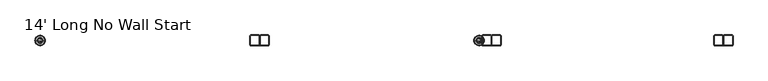
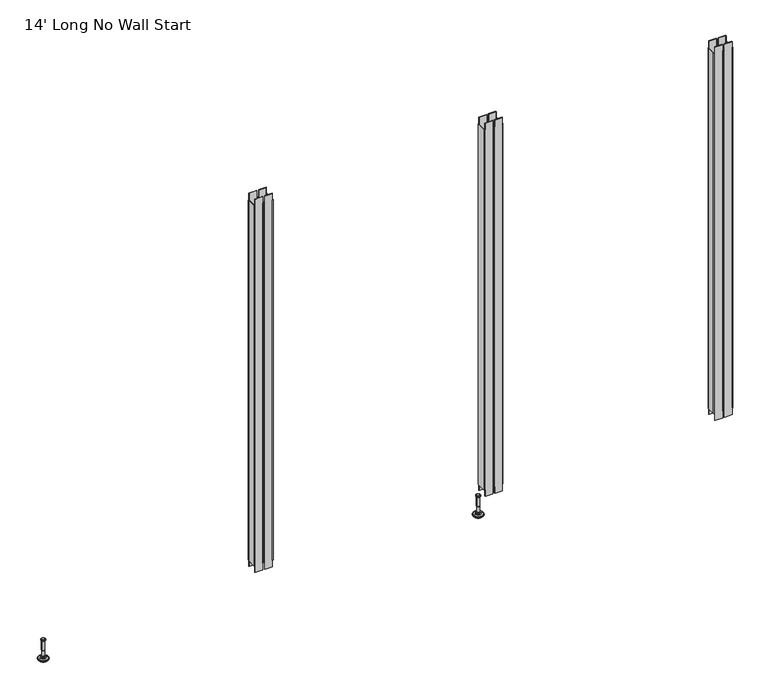
"""IFC4 building model written with IfcOpenShell, lengths in millimetres: furniture geometry, 14' Long No Wall Start."""

from ifc_helpers import new_model, si_unit, frame, origin, place, context, project, spatial, polyline, circle_curve, faceted_brep, source, transform, mapped, element, save
from ifc_brep_helpers import plane_surface, cylinder_surface, revolved_surface, advanced_brep


def furniture_14_long_no_wall_start_10b7e7c4(model_context):
    return source(origin(), model_context, "Body", "SolidModel", [
        advanced_brep(
        [(2076.2635677, 0.0, 101.6), (2085.2414891, 0.0, 101.6), (2067.2856463, 0.0, 101.6), (2062.1593278, 0.0, 0.0206943), (2090.3678076, 0.0, 0.0206943), (2076.2635677, 0.0, 0.0206943), (2057.281296, 0.0, 1.4194474), (2095.2458394, 0.0, 1.4194474), (2053.519381, 0.0, 4.7394056), (2099.0077544, 0.0, 4.7394056), (2052.4019314, 0.0, 7.5051905), (2100.125204, 0.0, 7.5051905), (2052.4019314, 0.0, 8.3065967), (2100.125204, 0.0, 8.3065967), (2053.2443346, 0.0, 9.8469348), (2099.2828008, 0.0, 9.8469348), (2054.3444772, 0.0, 10.8375077), (2098.1826582, 0.0, 10.8375077), (2061.6481724, 0.0, 12.7338946), (2090.878963, 0.0, 12.7338946), (2069.0663238, 0.0, 13.3828987), (2083.4608116, 0.0, 13.3828987), (2069.0663238, 0.0, 14.1772758), (2083.4608116, 0.0, 14.1772758), (2071.4631166, 0.0, 14.1772758), (2081.0640188, 0.0, 14.1772758), (2071.4631166, 0.0, 18.8098403), (2081.0640188, 0.0, 18.8098403), (2070.447264, 0.0, 19.8256929), (2082.0798714, 0.0, 19.8256929), (2070.447264, 0.0, 48.3056352), (2082.0798714, 0.0, 48.3056352), (2069.2237361, 0.0, 49.9293116), (2083.3033993, 0.0, 49.9293116), (2069.2237361, 0.0, 97.327223), (2083.3033993, 0.0, 97.327223), (2068.3426317, 0.0, 97.6479188), (2084.1845037, 0.0, 97.6479188), (2067.2936428, 0.0, 97.6479188), (2085.2334926, 0.0, 97.6479188), (2065.6286129, 0.0, 98.6092242), (2086.8985225, 0.0, 98.6092242), (2065.6286129, 0.0, 100.6043539), (2086.8985225, 0.0, 100.6043539)],
        [
            (0, 1),
            (1, 2, circle_curve(frame((2076.2635677, 0.0, 101.6), z_axis=(0.0, 0.0, 1.0), x_axis=(1.0, 0.0, 0.0)), 8.9779214)),
            (2, 0),
            (2, 1, circle_curve(frame((2076.2635677, 0.0, 101.6), z_axis=(0.0, 0.0, 1.0), x_axis=(1.0, 0.0, 0.0)), 8.9779214)),
            (3, 4, circle_curve(frame((2076.2635677, 0.0, 0.0206943), z_axis=(0.0, 0.0, -1.0), x_axis=(1.0, 0.0, 0.0)), 14.1042399)),
            (4, 5),
            (5, 3),
            (4, 3, circle_curve(frame((2076.2635677, 0.0, 0.0206943), z_axis=(0.0, 0.0, -1.0), x_axis=(1.0, 0.0, 0.0)), 14.1042399)),
            (6, 7, circle_curve(frame((2076.2635677, 0.0, 1.4194474), z_axis=(0.0, 0.0, -1.0), x_axis=(1.0, 0.0, 0.0)), 18.9822717)),
            (7, 4),
            (3, 6),
            (7, 6, circle_curve(frame((2076.2635677, 0.0, 1.4194474), z_axis=(0.0, 0.0, -1.0), x_axis=(1.0, 0.0, 0.0)), 18.9822717)),
            (8, 9, circle_curve(frame((2076.2635677, 0.0, 4.7394056), z_axis=(0.0, 0.0, -1.0), x_axis=(1.0, 0.0, 0.0)), 22.7441867)),
            (9, 7),
            (6, 8),
            (9, 8, circle_curve(frame((2076.2635677, 0.0, 4.7394056), z_axis=(0.0, 0.0, -1.0), x_axis=(1.0, 0.0, 0.0)), 22.7441867)),
            (10, 11, circle_curve(frame((2076.2635677, 0.0, 7.5051905), z_axis=(0.0, 0.0, -1.0), x_axis=(1.0, 0.0, 0.0)), 23.8616363)),
            (11, 9),
            (8, 10),
            (11, 10, circle_curve(frame((2076.2635677, 0.0, 7.5051905), z_axis=(0.0, 0.0, -1.0), x_axis=(1.0, 0.0, 0.0)), 23.8616363)),
            (12, 13, circle_curve(frame((2076.2635677, 0.0, 8.3065967), z_axis=(0.0, 0.0, -1.0), x_axis=(1.0, 0.0, 0.0)), 23.8616363)),
            (13, 11),
            (10, 12),
            (13, 12, circle_curve(frame((2076.2635677, 0.0, 8.3065967), z_axis=(0.0, 0.0, -1.0), x_axis=(1.0, 0.0, 0.0)), 23.8616363)),
            (14, 15, circle_curve(frame((2076.2635677, 0.0, 9.8469348), z_axis=(0.0, 0.0, -1.0), x_axis=(1.0, 0.0, 0.0)), 23.0192331)),
            (15, 13),
            (12, 14),
            (15, 14, circle_curve(frame((2076.2635677, 0.0, 9.8469348), z_axis=(0.0, 0.0, -1.0), x_axis=(1.0, 0.0, 0.0)), 23.0192331)),
            (16, 17, circle_curve(frame((2076.2635677, 0.0, 10.8375077), z_axis=(0.0, 0.0, -1.0), x_axis=(1.0, 0.0, 0.0)), 21.9190905)),
            (17, 15),
            (14, 16),
            (17, 16, circle_curve(frame((2076.2635677, 0.0, 10.8375077), z_axis=(0.0, 0.0, -1.0), x_axis=(1.0, 0.0, 0.0)), 21.9190905)),
            (18, 19, circle_curve(frame((2076.2635677, 0.0, 12.7338946), z_axis=(0.0, 0.0, -1.0), x_axis=(1.0, 0.0, 0.0)), 14.6153953)),
            (19, 17),
            (16, 18),
            (19, 18, circle_curve(frame((2076.2635677, 0.0, 12.7338946), z_axis=(0.0, 0.0, -1.0), x_axis=(1.0, 0.0, 0.0)), 14.6153953)),
            (20, 21, circle_curve(frame((2076.2635677, 0.0, 13.3828987), z_axis=(0.0, 0.0, -1.0), x_axis=(1.0, 0.0, 0.0)), 7.1972439)),
            (21, 19),
            (18, 20),
            (21, 20, circle_curve(frame((2076.2635677, 0.0, 13.3828987), z_axis=(0.0, 0.0, -1.0), x_axis=(1.0, 0.0, 0.0)), 7.1972439)),
            (22, 23, circle_curve(frame((2076.2635677, 0.0, 14.1772758), z_axis=(0.0, 0.0, -1.0), x_axis=(1.0, 0.0, 0.0)), 7.1972439)),
            (23, 21),
            (20, 22),
            (23, 22, circle_curve(frame((2076.2635677, 0.0, 14.1772758), z_axis=(0.0, 0.0, -1.0), x_axis=(1.0, 0.0, 0.0)), 7.1972439)),
            (24, 25, circle_curve(frame((2076.2635677, 0.0, 14.1772758), z_axis=(0.0, 0.0, -1.0), x_axis=(1.0, 0.0, 0.0)), 4.8004511)),
            (25, 23),
            (22, 24),
            (25, 24, circle_curve(frame((2076.2635677, 0.0, 14.1772758), z_axis=(0.0, 0.0, -1.0), x_axis=(1.0, 0.0, 0.0)), 4.8004511)),
            (26, 27, circle_curve(frame((2076.2635677, 0.0, 18.8098403), z_axis=(0.0, 0.0, -1.0), x_axis=(1.0, 0.0, 0.0)), 4.8004511)),
            (27, 25),
            (24, 26),
            (27, 26, circle_curve(frame((2076.2635677, 0.0, 18.8098403), z_axis=(0.0, 0.0, -1.0), x_axis=(1.0, 0.0, 0.0)), 4.8004511)),
            (28, 29, circle_curve(frame((2076.2635677, 0.0, 19.8256929), z_axis=(0.0, 0.0, -1.0), x_axis=(1.0, 0.0, 0.0)), 5.8163037)),
            (29, 27),
            (26, 28),
            (29, 28, circle_curve(frame((2076.2635677, 0.0, 19.8256929), z_axis=(0.0, 0.0, -1.0), x_axis=(1.0, 0.0, 0.0)), 5.8163037)),
            (30, 31, circle_curve(frame((2076.2635677, 0.0, 48.3056352), z_axis=(0.0, 0.0, -1.0), x_axis=(1.0, 0.0, 0.0)), 5.8163037)),
            (31, 29),
            (28, 30),
            (31, 30, circle_curve(frame((2076.2635677, 0.0, 48.3056352), z_axis=(0.0, 0.0, -1.0), x_axis=(1.0, 0.0, 0.0)), 5.8163037)),
            (32, 33, circle_curve(frame((2076.2635677, 0.0, 49.9293116), z_axis=(0.0, 0.0, -1.0), x_axis=(1.0, 0.0, 0.0)), 7.0398316)),
            (33, 31),
            (30, 32),
            (33, 32, circle_curve(frame((2076.2635677, 0.0, 49.9293116), z_axis=(0.0, 0.0, -1.0), x_axis=(1.0, 0.0, 0.0)), 7.0398316)),
            (34, 35, circle_curve(frame((2076.2635677, 0.0, 97.327223), z_axis=(0.0, 0.0, -1.0), x_axis=(1.0, 0.0, 0.0)), 7.0398316)),
            (35, 33),
            (32, 34),
            (35, 34, circle_curve(frame((2076.2635677, 0.0, 97.327223), z_axis=(0.0, 0.0, -1.0), x_axis=(1.0, 0.0, 0.0)), 7.0398316)),
            (36, 37, circle_curve(frame((2076.2635677, 0.0, 97.6479188), z_axis=(0.0, 0.0, -1.0), x_axis=(1.0, 0.0, 0.0)), 7.920936)),
            (37, 35),
            (34, 36),
            (37, 36, circle_curve(frame((2076.2635677, 0.0, 97.6479188), z_axis=(0.0, 0.0, -1.0), x_axis=(1.0, 0.0, 0.0)), 7.920936)),
            (38, 39, circle_curve(frame((2076.2635677, 0.0, 97.6479188), z_axis=(0.0, 0.0, -1.0), x_axis=(1.0, 0.0, 0.0)), 8.9699249)),
            (39, 37),
            (36, 38),
            (39, 38, circle_curve(frame((2076.2635677, 0.0, 97.6479188), z_axis=(0.0, 0.0, -1.0), x_axis=(1.0, 0.0, 0.0)), 8.9699249)),
            (40, 41, circle_curve(frame((2076.2635677, 0.0, 98.6092242), z_axis=(0.0, 0.0, -1.0), x_axis=(1.0, 0.0, 0.0)), 10.6349548)),
            (41, 39),
            (38, 40),
            (41, 40, circle_curve(frame((2076.2635677, 0.0, 98.6092242), z_axis=(0.0, 0.0, -1.0), x_axis=(1.0, 0.0, 0.0)), 10.6349548)),
            (42, 43, circle_curve(frame((2076.2635677, 0.0, 100.6043539), z_axis=(0.0, 0.0, -1.0), x_axis=(1.0, 0.0, 0.0)), 10.6349548)),
            (43, 41),
            (40, 42),
            (43, 42, circle_curve(frame((2076.2635677, 0.0, 100.6043539), z_axis=(0.0, 0.0, -1.0), x_axis=(1.0, 0.0, 0.0)), 10.6349548)),
            (1, 43),
            (42, 2),
        ],
        [
            plane_surface(frame((2076.2635677, 0.0, 101.6), z_axis=(0.0, 0.0, 1.0), x_axis=(1.0, 0.0, 0.0))),
            plane_surface(frame((2076.2635677, 0.0, 0.0206943), z_axis=(0.0, 0.0, -1.0), x_axis=(1.0, 0.0, 0.0))),
            revolved_surface(polyline([(2090.3678076, 0.0, 0.0206943), (2095.2458394, 0.0, 1.4194474)]), (2076.2635677, 0.0, 101.6), (0.0, 0.0, 1.0)),
            revolved_surface(polyline([(2095.2458394, 0.0, 1.4194474), (2099.0077544, 0.0, 4.7394056)]), (2076.2635677, 0.0, 101.6), (0.0, 0.0, 1.0)),
            revolved_surface(polyline([(2099.0077544, 0.0, 4.7394056), (2100.125204, 0.0, 7.5051905)]), (2076.2635677, 0.0, 101.6), (0.0, 0.0, 1.0)),
            cylinder_surface(frame((2076.2635677, 0.0, 101.6), z_axis=(0.0, 0.0, 1.0), x_axis=(1.0, 0.0, 0.0)), 23.8616363),
            revolved_surface(polyline([(2100.125204, 0.0, 8.3065967), (2099.2828008, 0.0, 9.8469348)]), (2076.2635677, 0.0, 101.6), (0.0, 0.0, 1.0)),
            revolved_surface(polyline([(2099.2828008, 0.0, 9.8469348), (2098.1826582, 0.0, 10.8375077)]), (2076.2635677, 0.0, 101.6), (0.0, 0.0, 1.0)),
            revolved_surface(polyline([(2098.1826582, 0.0, 10.8375077), (2090.878963, 0.0, 12.7338946)]), (2076.2635677, 0.0, 101.6), (0.0, 0.0, 1.0)),
            revolved_surface(polyline([(2090.878963, 0.0, 12.7338946), (2083.4608116, 0.0, 13.3828987)]), (2076.2635677, 0.0, 101.6), (0.0, 0.0, 1.0)),
            cylinder_surface(frame((2076.2635677, 0.0, 101.6), z_axis=(0.0, 0.0, 1.0), x_axis=(1.0, 0.0, 0.0)), 7.1972439),
            plane_surface(frame((2076.2635677, 0.0, 14.1772758), z_axis=(0.0, 0.0, 1.0), x_axis=(1.0, 0.0, 0.0))),
            cylinder_surface(frame((2076.2635677, 0.0, 101.6), z_axis=(0.0, 0.0, 1.0), x_axis=(1.0, 0.0, 0.0)), 4.8004511),
            revolved_surface(polyline([(2081.0640188, 0.0, 18.8098403), (2082.0798714, 0.0, 19.8256929)]), (2076.2635677, 0.0, 101.6), (0.0, 0.0, 1.0)),
            cylinder_surface(frame((2076.2635677, 0.0, 101.6), z_axis=(0.0, 0.0, 1.0), x_axis=(1.0, 0.0, 0.0)), 5.8163037),
            revolved_surface(polyline([(2082.0798714, 0.0, 48.3056352), (2083.3033993, 0.0, 49.9293116)]), (2076.2635677, 0.0, 101.6), (0.0, 0.0, 1.0)),
            cylinder_surface(frame((2076.2635677, 0.0, 101.6), z_axis=(0.0, 0.0, 1.0), x_axis=(1.0, 0.0, 0.0)), 7.0398316),
            revolved_surface(polyline([(2083.3033993, 0.0, 97.327223), (2084.1845037, 0.0, 97.6479188)]), (2076.2635677, 0.0, 101.6), (0.0, 0.0, 1.0)),
            plane_surface(frame((2076.2635677, 0.0, 97.6479188), z_axis=(0.0, 0.0, -1.0), x_axis=(1.0, 0.0, 0.0))),
            revolved_surface(polyline([(2085.2334926, 0.0, 97.6479188), (2086.8985225, 0.0, 98.6092242)]), (2076.2635677, 0.0, 101.6), (0.0, 0.0, 1.0)),
            cylinder_surface(frame((2076.2635677, 0.0, 101.6), z_axis=(0.0, 0.0, 1.0), x_axis=(1.0, 0.0, 0.0)), 10.6349548),
            revolved_surface(polyline([(2086.8985225, 0.0, 100.6043539), (2085.2414891, 0.0, 101.6)]), (2076.2635677, 0.0, 101.6), (0.0, 0.0, 1.0)),
        ],
        [
            (0, [[1, 2, 3]]),
            (0, [[-3, 4, -1]]),
            (1, [[5, 6, 7]]),
            (1, [[8, -7, -6]]),
            (2, [[9, 10, -5, 11]]),
            (2, [[12, -11, -8, -10]]),
            (3, [[13, 14, -9, 15]]),
            (3, [[16, -15, -12, -14]]),
            (4, [[17, 18, -13, 19]]),
            (4, [[20, -19, -16, -18]]),
            (5, [[21, 22, -17, 23]]),
            (5, [[24, -23, -20, -22]]),
            (6, [[25, 26, -21, 27]]),
            (6, [[28, -27, -24, -26]]),
            (7, [[29, 30, -25, 31]]),
            (7, [[32, -31, -28, -30]]),
            (8, [[33, 34, -29, 35]]),
            (8, [[36, -35, -32, -34]]),
            (9, [[37, 38, -33, 39]]),
            (9, [[40, -39, -36, -38]]),
            (10, [[41, 42, -37, 43]]),
            (10, [[44, -43, -40, -42]]),
            (11, [[45, 46, -41, 47]]),
            (11, [[48, -47, -44, -46]]),
            (12, [[49, 50, -45, 51]]),
            (12, [[52, -51, -48, -50]]),
            (13, [[53, 54, -49, 55]]),
            (13, [[56, -55, -52, -54]]),
            (14, [[57, 58, -53, 59]]),
            (14, [[60, -59, -56, -58]]),
            (15, [[61, 62, -57, 63]]),
            (15, [[64, -63, -60, -62]]),
            (16, [[65, 66, -61, 67]]),
            (16, [[68, -67, -64, -66]]),
            (17, [[69, 70, -65, 71]]),
            (17, [[72, -71, -68, -70]]),
            (18, [[73, 74, -69, 75]]),
            (18, [[76, -75, -72, -74]]),
            (19, [[77, 78, -73, 79]]),
            (19, [[80, -79, -76, -78]]),
            (20, [[81, 82, -77, 83]]),
            (20, [[84, -83, -80, -82]]),
            (21, [[-2, 85, -81, 86]]),
            (21, [[-4, -86, -84, -85]]),
        ],
    ),
        advanced_brep(
        [(57.0627865, 0.0, 101.6), (66.0407079, 0.0, 101.6), (48.084865, 0.0, 101.6), (42.9585465, 0.0, 0.0206943), (71.1670264, 0.0, 0.0206943), (57.0627865, 0.0, 0.0206943), (38.0805148, 0.0, 1.4194474), (76.0450581, 0.0, 1.4194474), (34.3185997, 0.0, 4.7394056), (79.8069732, 0.0, 4.7394056), (33.2011501, 0.0, 7.5051905), (80.9244228, 0.0, 7.5051905), (33.2011501, 0.0, 8.3065967), (80.9244228, 0.0, 8.3065967), (34.0435533, 0.0, 9.8469348), (80.0820196, 0.0, 9.8469348), (35.143696, 0.0, 10.8375077), (78.9818769, 0.0, 10.8375077), (42.4473912, 0.0, 12.7338946), (71.6781817, 0.0, 12.7338946), (49.8655426, 0.0, 13.3828987), (64.2600304, 0.0, 13.3828987), (49.8655426, 0.0, 14.1772758), (64.2600304, 0.0, 14.1772758), (52.2623354, 0.0, 14.1772758), (61.8632375, 0.0, 14.1772758), (52.2623354, 0.0, 18.8098403), (61.8632375, 0.0, 18.8098403), (51.2464827, 0.0, 19.8256929), (62.8790902, 0.0, 19.8256929), (51.2464827, 0.0, 48.3056352), (62.8790902, 0.0, 48.3056352), (50.0229548, 0.0, 49.9293116), (64.1026181, 0.0, 49.9293116), (50.0229548, 0.0, 97.327223), (64.1026181, 0.0, 97.327223), (49.1418505, 0.0, 97.6479188), (64.9837224, 0.0, 97.6479188), (48.0928615, 0.0, 97.6479188), (66.0327114, 0.0, 97.6479188), (46.4278316, 0.0, 98.6092242), (67.6977413, 0.0, 98.6092242), (46.4278316, 0.0, 100.6043539), (67.6977413, 0.0, 100.6043539)],
        [
            (0, 1),
            (1, 2, circle_curve(frame((57.0627865, 0.0, 101.6), z_axis=(0.0, 0.0, 1.0), x_axis=(1.0, 0.0, 0.0)), 8.9779214)),
            (2, 0),
            (2, 1, circle_curve(frame((57.0627865, 0.0, 101.6), z_axis=(0.0, 0.0, 1.0), x_axis=(1.0, 0.0, 0.0)), 8.9779214)),
            (3, 4, circle_curve(frame((57.0627865, 0.0, 0.0206943), z_axis=(0.0, 0.0, -1.0), x_axis=(1.0, 0.0, 0.0)), 14.1042399)),
            (4, 5),
            (5, 3),
            (4, 3, circle_curve(frame((57.0627865, 0.0, 0.0206943), z_axis=(0.0, 0.0, -1.0), x_axis=(1.0, 0.0, 0.0)), 14.1042399)),
            (6, 7, circle_curve(frame((57.0627865, 0.0, 1.4194474), z_axis=(0.0, 0.0, -1.0), x_axis=(1.0, 0.0, 0.0)), 18.9822717)),
            (7, 4),
            (3, 6),
            (7, 6, circle_curve(frame((57.0627865, 0.0, 1.4194474), z_axis=(0.0, 0.0, -1.0), x_axis=(1.0, 0.0, 0.0)), 18.9822717)),
            (8, 9, circle_curve(frame((57.0627865, 0.0, 4.7394056), z_axis=(0.0, 0.0, -1.0), x_axis=(1.0, 0.0, 0.0)), 22.7441867)),
            (9, 7),
            (6, 8),
            (9, 8, circle_curve(frame((57.0627865, 0.0, 4.7394056), z_axis=(0.0, 0.0, -1.0), x_axis=(1.0, 0.0, 0.0)), 22.7441867)),
            (10, 11, circle_curve(frame((57.0627865, 0.0, 7.5051905), z_axis=(0.0, 0.0, -1.0), x_axis=(1.0, 0.0, 0.0)), 23.8616363)),
            (11, 9),
            (8, 10),
            (11, 10, circle_curve(frame((57.0627865, 0.0, 7.5051905), z_axis=(0.0, 0.0, -1.0), x_axis=(1.0, 0.0, 0.0)), 23.8616363)),
            (12, 13, circle_curve(frame((57.0627865, 0.0, 8.3065967), z_axis=(0.0, 0.0, -1.0), x_axis=(1.0, 0.0, 0.0)), 23.8616363)),
            (13, 11),
            (10, 12),
            (13, 12, circle_curve(frame((57.0627865, 0.0, 8.3065967), z_axis=(0.0, 0.0, -1.0), x_axis=(1.0, 0.0, 0.0)), 23.8616363)),
            (14, 15, circle_curve(frame((57.0627865, 0.0, 9.8469348), z_axis=(0.0, 0.0, -1.0), x_axis=(1.0, 0.0, 0.0)), 23.0192331)),
            (15, 13),
            (12, 14),
            (15, 14, circle_curve(frame((57.0627865, 0.0, 9.8469348), z_axis=(0.0, 0.0, -1.0), x_axis=(1.0, 0.0, 0.0)), 23.0192331)),
            (16, 17, circle_curve(frame((57.0627865, 0.0, 10.8375077), z_axis=(0.0, 0.0, -1.0), x_axis=(1.0, 0.0, 0.0)), 21.9190905)),
            (17, 15),
            (14, 16),
            (17, 16, circle_curve(frame((57.0627865, 0.0, 10.8375077), z_axis=(0.0, 0.0, -1.0), x_axis=(1.0, 0.0, 0.0)), 21.9190905)),
            (18, 19, circle_curve(frame((57.0627865, 0.0, 12.7338946), z_axis=(0.0, 0.0, -1.0), x_axis=(1.0, 0.0, 0.0)), 14.6153953)),
            (19, 17),
            (16, 18),
            (19, 18, circle_curve(frame((57.0627865, 0.0, 12.7338946), z_axis=(0.0, 0.0, -1.0), x_axis=(1.0, 0.0, 0.0)), 14.6153953)),
            (20, 21, circle_curve(frame((57.0627865, 0.0, 13.3828987), z_axis=(0.0, 0.0, -1.0), x_axis=(1.0, 0.0, 0.0)), 7.1972439)),
            (21, 19),
            (18, 20),
            (21, 20, circle_curve(frame((57.0627865, 0.0, 13.3828987), z_axis=(0.0, 0.0, -1.0), x_axis=(1.0, 0.0, 0.0)), 7.1972439)),
            (22, 23, circle_curve(frame((57.0627865, 0.0, 14.1772758), z_axis=(0.0, 0.0, -1.0), x_axis=(1.0, 0.0, 0.0)), 7.1972439)),
            (23, 21),
            (20, 22),
            (23, 22, circle_curve(frame((57.0627865, 0.0, 14.1772758), z_axis=(0.0, 0.0, -1.0), x_axis=(1.0, 0.0, 0.0)), 7.1972439)),
            (24, 25, circle_curve(frame((57.0627865, 0.0, 14.1772758), z_axis=(0.0, 0.0, -1.0), x_axis=(1.0, 0.0, 0.0)), 4.8004511)),
            (25, 23),
            (22, 24),
            (25, 24, circle_curve(frame((57.0627865, 0.0, 14.1772758), z_axis=(0.0, 0.0, -1.0), x_axis=(1.0, 0.0, 0.0)), 4.8004511)),
            (26, 27, circle_curve(frame((57.0627865, 0.0, 18.8098403), z_axis=(0.0, 0.0, -1.0), x_axis=(1.0, 0.0, 0.0)), 4.8004511)),
            (27, 25),
            (24, 26),
            (27, 26, circle_curve(frame((57.0627865, 0.0, 18.8098403), z_axis=(0.0, 0.0, -1.0), x_axis=(1.0, 0.0, 0.0)), 4.8004511)),
            (28, 29, circle_curve(frame((57.0627865, 0.0, 19.8256929), z_axis=(0.0, 0.0, -1.0), x_axis=(1.0, 0.0, 0.0)), 5.8163037)),
            (29, 27),
            (26, 28),
            (29, 28, circle_curve(frame((57.0627865, 0.0, 19.8256929), z_axis=(0.0, 0.0, -1.0), x_axis=(1.0, 0.0, 0.0)), 5.8163037)),
            (30, 31, circle_curve(frame((57.0627865, 0.0, 48.3056352), z_axis=(0.0, 0.0, -1.0), x_axis=(1.0, 0.0, 0.0)), 5.8163037)),
            (31, 29),
            (28, 30),
            (31, 30, circle_curve(frame((57.0627865, 0.0, 48.3056352), z_axis=(0.0, 0.0, -1.0), x_axis=(1.0, 0.0, 0.0)), 5.8163037)),
            (32, 33, circle_curve(frame((57.0627865, 0.0, 49.9293116), z_axis=(0.0, 0.0, -1.0), x_axis=(1.0, 0.0, 0.0)), 7.0398316)),
            (33, 31),
            (30, 32),
            (33, 32, circle_curve(frame((57.0627865, 0.0, 49.9293116), z_axis=(0.0, 0.0, -1.0), x_axis=(1.0, 0.0, 0.0)), 7.0398316)),
            (34, 35, circle_curve(frame((57.0627865, 0.0, 97.327223), z_axis=(0.0, 0.0, -1.0), x_axis=(1.0, 0.0, 0.0)), 7.0398316)),
            (35, 33),
            (32, 34),
            (35, 34, circle_curve(frame((57.0627865, 0.0, 97.327223), z_axis=(0.0, 0.0, -1.0), x_axis=(1.0, 0.0, 0.0)), 7.0398316)),
            (36, 37, circle_curve(frame((57.0627865, 0.0, 97.6479188), z_axis=(0.0, 0.0, -1.0), x_axis=(1.0, 0.0, 0.0)), 7.920936)),
            (37, 35),
            (34, 36),
            (37, 36, circle_curve(frame((57.0627865, 0.0, 97.6479188), z_axis=(0.0, 0.0, -1.0), x_axis=(1.0, 0.0, 0.0)), 7.920936)),
            (38, 39, circle_curve(frame((57.0627865, 0.0, 97.6479188), z_axis=(0.0, 0.0, -1.0), x_axis=(1.0, 0.0, 0.0)), 8.9699249)),
            (39, 37),
            (36, 38),
            (39, 38, circle_curve(frame((57.0627865, 0.0, 97.6479188), z_axis=(0.0, 0.0, -1.0), x_axis=(1.0, 0.0, 0.0)), 8.9699249)),
            (40, 41, circle_curve(frame((57.0627865, 0.0, 98.6092242), z_axis=(0.0, 0.0, -1.0), x_axis=(1.0, 0.0, 0.0)), 10.6349548)),
            (41, 39),
            (38, 40),
            (41, 40, circle_curve(frame((57.0627865, 0.0, 98.6092242), z_axis=(0.0, 0.0, -1.0), x_axis=(1.0, 0.0, 0.0)), 10.6349548)),
            (42, 43, circle_curve(frame((57.0627865, 0.0, 100.6043539), z_axis=(0.0, 0.0, -1.0), x_axis=(1.0, 0.0, 0.0)), 10.6349548)),
            (43, 41),
            (40, 42),
            (43, 42, circle_curve(frame((57.0627865, 0.0, 100.6043539), z_axis=(0.0, 0.0, -1.0), x_axis=(1.0, 0.0, 0.0)), 10.6349548)),
            (1, 43),
            (42, 2),
        ],
        [
            plane_surface(frame((57.0627865, 0.0, 101.6), z_axis=(0.0, 0.0, 1.0), x_axis=(1.0, 0.0, 0.0))),
            plane_surface(frame((57.0627865, 0.0, 0.0206943), z_axis=(0.0, 0.0, -1.0), x_axis=(1.0, 0.0, 0.0))),
            revolved_surface(polyline([(71.1670264, 0.0, 0.0206943), (76.0450581, 0.0, 1.4194474)]), (57.0627865, 0.0, 101.6), (0.0, 0.0, 1.0)),
            revolved_surface(polyline([(76.0450581, 0.0, 1.4194474), (79.8069732, 0.0, 4.7394056)]), (57.0627865, 0.0, 101.6), (0.0, 0.0, 1.0)),
            revolved_surface(polyline([(79.8069732, 0.0, 4.7394056), (80.9244228, 0.0, 7.5051905)]), (57.0627865, 0.0, 101.6), (0.0, 0.0, 1.0)),
            cylinder_surface(frame((57.0627865, 0.0, 101.6), z_axis=(0.0, 0.0, 1.0), x_axis=(1.0, 0.0, 0.0)), 23.8616363),
            revolved_surface(polyline([(80.9244228, 0.0, 8.3065967), (80.0820196, 0.0, 9.8469348)]), (57.0627865, 0.0, 101.6), (0.0, 0.0, 1.0)),
            revolved_surface(polyline([(80.0820196, 0.0, 9.8469348), (78.9818769, 0.0, 10.8375077)]), (57.0627865, 0.0, 101.6), (0.0, 0.0, 1.0)),
            revolved_surface(polyline([(78.9818769, 0.0, 10.8375077), (71.6781817, 0.0, 12.7338946)]), (57.0627865, 0.0, 101.6), (0.0, 0.0, 1.0)),
            revolved_surface(polyline([(71.6781817, 0.0, 12.7338946), (64.2600304, 0.0, 13.3828987)]), (57.0627865, 0.0, 101.6), (0.0, 0.0, 1.0)),
            cylinder_surface(frame((57.0627865, 0.0, 101.6), z_axis=(0.0, 0.0, 1.0), x_axis=(1.0, 0.0, 0.0)), 7.1972439),
            plane_surface(frame((57.0627865, 0.0, 14.1772758), z_axis=(0.0, 0.0, 1.0), x_axis=(1.0, 0.0, 0.0))),
            cylinder_surface(frame((57.0627865, 0.0, 101.6), z_axis=(0.0, 0.0, 1.0), x_axis=(1.0, 0.0, 0.0)), 4.8004511),
            revolved_surface(polyline([(61.8632375, 0.0, 18.8098403), (62.8790902, 0.0, 19.8256929)]), (57.0627865, 0.0, 101.6), (0.0, 0.0, 1.0)),
            cylinder_surface(frame((57.0627865, 0.0, 101.6), z_axis=(0.0, 0.0, 1.0), x_axis=(1.0, 0.0, 0.0)), 5.8163037),
            revolved_surface(polyline([(62.8790902, 0.0, 48.3056352), (64.1026181, 0.0, 49.9293116)]), (57.0627865, 0.0, 101.6), (0.0, 0.0, 1.0)),
            cylinder_surface(frame((57.0627865, 0.0, 101.6), z_axis=(0.0, 0.0, 1.0), x_axis=(1.0, 0.0, 0.0)), 7.0398316),
            revolved_surface(polyline([(64.1026181, 0.0, 97.327223), (64.9837224, 0.0, 97.6479188)]), (57.0627865, 0.0, 101.6), (0.0, 0.0, 1.0)),
            plane_surface(frame((57.0627865, 0.0, 97.6479188), z_axis=(0.0, 0.0, -1.0), x_axis=(1.0, 0.0, 0.0))),
            revolved_surface(polyline([(66.0327114, 0.0, 97.6479188), (67.6977413, 0.0, 98.6092242)]), (57.0627865, 0.0, 101.6), (0.0, 0.0, 1.0)),
            cylinder_surface(frame((57.0627865, 0.0, 101.6), z_axis=(0.0, 0.0, 1.0), x_axis=(1.0, 0.0, 0.0)), 10.6349548),
            revolved_surface(polyline([(67.6977413, 0.0, 100.6043539), (66.0407079, 0.0, 101.6)]), (57.0627865, 0.0, 101.6), (0.0, 0.0, 1.0)),
        ],
        [
            (0, [[1, 2, 3]]),
            (0, [[-3, 4, -1]]),
            (1, [[5, 6, 7]]),
            (1, [[8, -7, -6]]),
            (2, [[9, 10, -5, 11]]),
            (2, [[12, -11, -8, -10]]),
            (3, [[13, 14, -9, 15]]),
            (3, [[16, -15, -12, -14]]),
            (4, [[17, 18, -13, 19]]),
            (4, [[20, -19, -16, -18]]),
            (5, [[21, 22, -17, 23]]),
            (5, [[24, -23, -20, -22]]),
            (6, [[25, 26, -21, 27]]),
            (6, [[28, -27, -24, -26]]),
            (7, [[29, 30, -25, 31]]),
            (7, [[32, -31, -28, -30]]),
            (8, [[33, 34, -29, 35]]),
            (8, [[36, -35, -32, -34]]),
            (9, [[37, 38, -33, 39]]),
            (9, [[40, -39, -36, -38]]),
            (10, [[41, 42, -37, 43]]),
            (10, [[44, -43, -40, -42]]),
            (11, [[45, 46, -41, 47]]),
            (11, [[48, -47, -44, -46]]),
            (12, [[49, 50, -45, 51]]),
            (12, [[52, -51, -48, -50]]),
            (13, [[53, 54, -49, 55]]),
            (13, [[56, -55, -52, -54]]),
            (14, [[57, 58, -53, 59]]),
            (14, [[60, -59, -56, -58]]),
            (15, [[61, 62, -57, 63]]),
            (15, [[64, -63, -60, -62]]),
            (16, [[65, 66, -61, 67]]),
            (16, [[68, -67, -64, -66]]),
            (17, [[69, 70, -65, 71]]),
            (17, [[72, -71, -68, -70]]),
            (18, [[73, 74, -69, 75]]),
            (18, [[76, -75, -72, -74]]),
            (19, [[77, 78, -73, 79]]),
            (19, [[80, -79, -76, -78]]),
            (20, [[81, 82, -77, 83]]),
            (20, [[84, -83, -80, -82]]),
            (21, [[-2, 85, -81, 86]]),
            (21, [[-4, -86, -84, -85]]),
        ],
    ),
        faceted_brep([(1071.2958, 25.4, 1937.6408515), (1071.2958, 23.1181008, 1937.6408515), (1071.7151471, 23.2918, 1937.6408515), (1106.3348529, 23.2918, 1937.6408515), (1106.7542, 23.1181008, 1937.6408515), (1106.7542, 25.4, 1937.6408515), (1106.7542, -25.4, 1937.6408515), (1106.7542, -23.1181008, 1937.6408515), (1106.3348529, -23.2918, 1937.6408515), (1071.7151471, -23.2918, 1937.6408515), (1071.2958, -23.1181008, 1937.6408515), (1071.2958, -25.4, 1937.6408515), (1071.2958, -25.4, 104.7768515), (1071.2958, -23.1181008, 104.7768515), (1071.7151471, -23.2918, 104.7768515), (1106.3348529, -23.2918, 104.7768515), (1106.7542, -23.1181008, 104.7768515), (1106.7542, -25.4, 104.7768515), (1106.7542, 25.4, 104.7768515), (1106.7542, 23.1181008, 104.7768515), (1106.3348529, 23.2918, 104.7768515), (1071.7151471, 23.2918, 104.7768515), (1071.2958, 23.1181008, 104.7768515), (1071.2958, 25.4, 104.7768515), (1111.25, -20.9042, 1905.6368515), (1111.25, -20.9042, 136.7808515), (1111.25, 20.9042, 136.7808515), (1111.25, 20.9042, 1905.6368515), (1071.2958, -25.4, 1905.6368515), (1071.2958, -25.4, 136.7808515), (1106.7542, -25.4, 136.7808515), (1106.7542, -25.4, 1905.6368515), (1066.8, -20.9042, 136.7808515), (1066.8, -20.9042, 1905.6368515), (1066.8, 20.9042, 1905.6368515), (1066.8, 20.9042, 136.7808515), (1106.7542, 25.4, 1905.6368515), (1106.7542, 25.4, 136.7808515), (1071.2958, 25.4, 136.7808515), (1071.2958, 25.4, 1905.6368515), (1109.9332107, 24.0832107, 1905.6368515), (1109.9332107, 24.0832107, 136.7808515), (1109.9332107, -24.0832107, 1905.6368515), (1109.9332107, -24.0832107, 136.7808515), (1068.1167893, -24.0832107, 1905.6368515), (1068.1167893, -24.0832107, 136.7808515), (1068.1167893, 24.0832107, 1905.6368515), (1068.1167893, 24.0832107, 136.7808515), (1109.1418, 20.4848529, 1905.6368515), (1109.1418, 20.4848529, 136.7808515), (1109.1418, -20.4848529, 136.7808515), (1109.1418, -20.4848529, 1905.6368515), (1108.3196642, 22.4696642, 1905.6368515), (1108.3196642, 22.4696642, 136.7808515), (1106.7542, 23.1181008, 136.7808515), (1106.7542, 23.1181008, 1905.6368515), (1071.2958, 23.1181008, 1905.6368515), (1069.7303358, 22.4696642, 1905.6368515), (1069.7303358, 22.4696642, 136.7808515), (1071.2958, 23.1181008, 136.7808515), (1068.9082, 20.4848529, 1905.6368515), (1068.9082, 20.4848529, 136.7808515), (1068.9082, -20.4848529, 1905.6368515), (1068.9082, -20.4848529, 136.7808515), (1069.7303358, -22.4696642, 1905.6368515), (1069.7303358, -22.4696642, 136.7808515), (1071.2958, -23.1181008, 136.7808515), (1071.2958, -23.1181008, 1905.6368515), (1106.7542, -23.1181008, 1905.6368515), (1108.3196642, -22.4696642, 1905.6368515), (1108.3196642, -22.4696642, 136.7808515), (1106.7542, -23.1181008, 136.7808515)], [[[0, 1, 2, 3, 4, 5]], [[6, 7, 8, 9, 10, 11]], [[12, 13, 14, 15, 16, 17]], [[18, 19, 20, 21, 22, 23]], [[24, 25, 26, 27]], [[11, 28, 29, 12, 17, 30, 31, 6]], [[32, 33, 34, 35]], [[5, 36, 37, 18, 23, 38, 39, 0]], [[40, 41, 37, 36]], [[27, 26, 41, 40]], [[42, 43, 25, 24]], [[31, 30, 43, 42]], [[29, 28, 44, 45]], [[45, 44, 33, 32]], [[35, 34, 46, 47]], [[47, 46, 39, 38]], [[48, 49, 50, 51]], [[52, 53, 49, 48]], [[20, 19, 54, 53, 52, 55, 4, 3]], [[2, 21, 20, 3]], [[2, 1, 56, 57, 58, 59, 22, 21]], [[58, 57, 60, 61]], [[61, 60, 62, 63]], [[63, 62, 64, 65]], [[14, 13, 66, 65, 64, 67, 10, 9]], [[8, 15, 14, 9]], [[8, 7, 68, 69, 70, 71, 16, 15]], [[51, 50, 70, 69]], [[55, 52, 48, 51, 69, 68, 31, 42, 24, 27, 40, 36]], [[36, 5, 4, 55]], [[68, 7, 6, 31]], [[37, 41, 26, 25, 43, 30, 71, 70, 50, 49, 53, 54]], [[30, 17, 16, 71]], [[54, 19, 18, 37]], [[59, 58, 61, 63, 65, 66, 29, 45, 32, 35, 47, 38]], [[38, 23, 22, 59]], [[66, 13, 12, 29]], [[39, 46, 34, 33, 44, 28, 67, 64, 62, 60, 57, 56]], [[28, 11, 10, 67]], [[56, 1, 0, 39]]]),
        faceted_brep([(1026.8458, 25.4, 1937.6408515), (1026.8458, 23.1181008, 1937.6408515), (1027.2651471, 23.2918, 1937.6408515), (1061.8848529, 23.2918, 1937.6408515), (1062.3042, 23.1181008, 1937.6408515), (1062.3042, 25.4, 1937.6408515), (1062.3042, -25.4, 1937.6408515), (1062.3042, -23.1181008, 1937.6408515), (1061.8848529, -23.2918, 1937.6408515), (1027.2651471, -23.2918, 1937.6408515), (1026.8458, -23.1181008, 1937.6408515), (1026.8458, -25.4, 1937.6408515), (1026.8458, -25.4, 104.7768515), (1026.8458, -23.1181008, 104.7768515), (1027.2651471, -23.2918, 104.7768515), (1061.8848529, -23.2918, 104.7768515), (1062.3042, -23.1181008, 104.7768515), (1062.3042, -25.4, 104.7768515), (1062.3042, 25.4, 104.7768515), (1062.3042, 23.1181008, 104.7768515), (1061.8848529, 23.2918, 104.7768515), (1027.2651471, 23.2918, 104.7768515), (1026.8458, 23.1181008, 104.7768515), (1026.8458, 25.4, 104.7768515), (1022.35, 20.9042, 1905.6368515), (1022.35, 20.9042, 136.7808515), (1022.35, -20.9042, 136.7808515), (1022.35, -20.9042, 1905.6368515), (1026.8458, -25.4, 1905.6368515), (1026.8458, -25.4, 136.7808515), (1062.3042, -25.4, 136.7808515), (1062.3042, -25.4, 1905.6368515), (1066.8, -20.9042, 1905.6368515), (1066.8, -20.9042, 136.7808515), (1066.8, 20.9042, 136.7808515), (1066.8, 20.9042, 1905.6368515), (1062.3042, 25.4, 1905.6368515), (1062.3042, 25.4, 136.7808515), (1026.8458, 25.4, 136.7808515), (1026.8458, 25.4, 1905.6368515), (1023.6667893, 24.0832107, 136.7808515), (1023.6667893, 24.0832107, 1905.6368515), (1023.6667893, -24.0832107, 136.7808515), (1023.6667893, -24.0832107, 1905.6368515), (1065.4832107, -24.0832107, 136.7808515), (1065.4832107, -24.0832107, 1905.6368515), (1065.4832107, 24.0832107, 136.7808515), (1065.4832107, 24.0832107, 1905.6368515), (1024.4582, -20.4848529, 1905.6368515), (1024.4582, -20.4848529, 136.7808515), (1024.4582, 20.4848529, 136.7808515), (1024.4582, 20.4848529, 1905.6368515), (1025.2803358, 22.4696642, 136.7808515), (1025.2803358, 22.4696642, 1905.6368515), (1026.8458, 23.1181008, 1905.6368515), (1026.8458, 23.1181008, 136.7808515), (1062.3042, 23.1181008, 136.7808515), (1063.8696642, 22.4696642, 136.7808515), (1063.8696642, 22.4696642, 1905.6368515), (1062.3042, 23.1181008, 1905.6368515), (1064.6918, 20.4848529, 136.7808515), (1064.6918, 20.4848529, 1905.6368515), (1064.6918, -20.4848529, 136.7808515), (1064.6918, -20.4848529, 1905.6368515), (1063.8696642, -22.4696642, 136.7808515), (1063.8696642, -22.4696642, 1905.6368515), (1062.3042, -23.1181008, 1905.6368515), (1062.3042, -23.1181008, 136.7808515), (1026.8458, -23.1181008, 136.7808515), (1025.2803358, -22.4696642, 136.7808515), (1025.2803358, -22.4696642, 1905.6368515), (1026.8458, -23.1181008, 1905.6368515)], [[[0, 1, 2, 3, 4, 5]], [[6, 7, 8, 9, 10, 11]], [[12, 13, 14, 15, 16, 17]], [[18, 19, 20, 21, 22, 23]], [[24, 25, 26, 27]], [[11, 28, 29, 12, 17, 30, 31, 6]], [[32, 33, 34, 35]], [[5, 36, 37, 18, 23, 38, 39, 0]], [[39, 38, 40, 41]], [[41, 40, 25, 24]], [[27, 26, 42, 43]], [[43, 42, 29, 28]], [[31, 30, 44, 45]], [[45, 44, 33, 32]], [[35, 34, 46, 47]], [[47, 46, 37, 36]], [[48, 49, 50, 51]], [[51, 50, 52, 53]], [[2, 1, 54, 53, 52, 55, 22, 21]], [[2, 21, 20, 3]], [[20, 19, 56, 57, 58, 59, 4, 3]], [[58, 57, 60, 61]], [[61, 60, 62, 63]], [[63, 62, 64, 65]], [[8, 7, 66, 65, 64, 67, 16, 15]], [[8, 15, 14, 9]], [[14, 13, 68, 69, 70, 71, 10, 9]], [[70, 69, 49, 48]], [[39, 41, 24, 27, 43, 28, 71, 70, 48, 51, 53, 54]], [[28, 11, 10, 71]], [[54, 1, 0, 39]], [[55, 52, 50, 49, 69, 68, 29, 42, 26, 25, 40, 38]], [[38, 23, 22, 55]], [[68, 13, 12, 29]], [[59, 58, 61, 63, 65, 66, 31, 45, 32, 35, 47, 36]], [[36, 5, 4, 59]], [[66, 7, 6, 31]], [[37, 46, 34, 33, 44, 30, 67, 64, 62, 60, 57, 56]], [[30, 17, 16, 67]], [[56, 19, 18, 37]]]),
        faceted_brep([(3195.9042, 25.4, 1937.6408515), (3160.4458, 25.4, 1937.6408515), (3160.4458, 23.1181008, 1937.6408515), (3160.8651471, 23.2918, 1937.6408515), (3195.4848529, 23.2918, 1937.6408515), (3195.9042, 23.1181008, 1937.6408515), (3160.4458, -25.4, 1937.6408515), (3195.9042, -25.4, 1937.6408515), (3195.9042, -23.1181008, 1937.6408515), (3195.4848529, -23.2918, 1937.6408515), (3160.8651471, -23.2918, 1937.6408515), (3160.4458, -23.1181008, 1937.6408515), (3195.9042, -25.4, 104.7768515), (3160.4458, -25.4, 104.7768515), (3160.4458, -23.1181008, 104.7768515), (3160.8651471, -23.2918, 104.7768515), (3195.4848529, -23.2918, 104.7768515), (3195.9042, -23.1181008, 104.7768515), (3160.4458, 25.4, 104.7768515), (3195.9042, 25.4, 104.7768515), (3195.9042, 23.1181008, 104.7768515), (3195.4848529, 23.2918, 104.7768515), (3160.8651471, 23.2918, 104.7768515), (3160.4458, 23.1181008, 104.7768515), (3155.95, -20.9042, 1905.6368515), (3155.95, 20.9042, 1905.6368515), (3155.95, 20.9042, 136.7808515), (3155.95, -20.9042, 136.7808515), (3160.4458, -25.4, 1905.6368515), (3160.4458, -25.4, 136.7808515), (3195.9042, -25.4, 136.7808515), (3195.9042, -25.4, 1905.6368515), (3200.4, -20.9042, 136.7808515), (3200.4, 20.9042, 136.7808515), (3200.4, 20.9042, 1905.6368515), (3200.4, -20.9042, 1905.6368515), (3195.9042, 25.4, 1905.6368515), (3195.9042, 25.4, 136.7808515), (3160.4458, 25.4, 136.7808515), (3160.4458, 25.4, 1905.6368515), (3157.2667893, 24.0832107, 1905.6368515), (3157.2667893, 24.0832107, 136.7808515), (3157.2667893, -24.0832107, 1905.6368515), (3157.2667893, -24.0832107, 136.7808515), (3199.0832107, -24.0832107, 136.7808515), (3199.0832107, -24.0832107, 1905.6368515), (3199.0832107, 24.0832107, 136.7808515), (3199.0832107, 24.0832107, 1905.6368515), (3158.0582, 20.4848529, 1905.6368515), (3158.0582, -20.4848529, 1905.6368515), (3158.0582, -20.4848529, 136.7808515), (3158.0582, 20.4848529, 136.7808515), (3158.8803358, 22.4696642, 1905.6368515), (3158.8803358, 22.4696642, 136.7808515), (3160.4458, 23.1181008, 1905.6368515), (3160.4458, 23.1181008, 136.7808515), (3195.9042, 23.1181008, 136.7808515), (3197.4696642, 22.4696642, 136.7808515), (3197.4696642, 22.4696642, 1905.6368515), (3195.9042, 23.1181008, 1905.6368515), (3198.2918, 20.4848529, 136.7808515), (3198.2918, 20.4848529, 1905.6368515), (3198.2918, -20.4848529, 136.7808515), (3198.2918, -20.4848529, 1905.6368515), (3197.4696642, -22.4696642, 136.7808515), (3197.4696642, -22.4696642, 1905.6368515), (3195.9042, -23.1181008, 1905.6368515), (3195.9042, -23.1181008, 136.7808515), (3160.4458, -23.1181008, 136.7808515), (3158.8803358, -22.4696642, 136.7808515), (3158.8803358, -22.4696642, 1905.6368515), (3160.4458, -23.1181008, 1905.6368515)], [[[0, 1, 2, 3, 4, 5]], [[6, 7, 8, 9, 10, 11]], [[12, 13, 14, 15, 16, 17]], [[18, 19, 20, 21, 22, 23]], [[24, 25, 26, 27]], [[7, 6, 28, 29, 13, 12, 30, 31]], [[32, 33, 34, 35]], [[1, 0, 36, 37, 19, 18, 38, 39]], [[40, 39, 38, 41]], [[25, 40, 41, 26]], [[42, 24, 27, 43]], [[28, 42, 43, 29]], [[30, 44, 45, 31]], [[44, 32, 35, 45]], [[33, 46, 47, 34]], [[46, 37, 36, 47]], [[48, 49, 50, 51]], [[52, 48, 51, 53]], [[22, 3, 2, 54, 52, 53, 55, 23]], [[4, 3, 22, 21]], [[4, 21, 20, 56, 57, 58, 59, 5]], [[57, 60, 61, 58]], [[60, 62, 63, 61]], [[62, 64, 65, 63]], [[16, 9, 8, 66, 65, 64, 67, 17]], [[10, 9, 16, 15]], [[10, 15, 14, 68, 69, 70, 71, 11]], [[49, 70, 69, 50]], [[54, 39, 40, 25, 24, 42, 28, 71, 70, 49, 48, 52]], [[39, 54, 2, 1]], [[71, 28, 6, 11]], [[38, 55, 53, 51, 50, 69, 68, 29, 43, 27, 26, 41]], [[55, 38, 18, 23]], [[29, 68, 14, 13]], [[56, 37, 46, 33, 32, 44, 30, 67, 64, 62, 60, 57]], [[37, 56, 20, 19]], [[67, 30, 12, 17]], [[36, 59, 58, 61, 63, 65, 66, 31, 45, 35, 34, 47]], [[59, 36, 0, 5]], [[31, 66, 8, 7]]]),
        faceted_brep([(3240.3542, 25.4, 1937.6408515), (3204.8958, 25.4, 1937.6408515), (3204.8958, 23.1181008, 1937.6408515), (3205.3151471, 23.2918, 1937.6408515), (3239.9348529, 23.2918, 1937.6408515), (3240.3542, 23.1181008, 1937.6408515), (3204.8958, -25.4, 1937.6408515), (3240.3542, -25.4, 1937.6408515), (3240.3542, -23.1181008, 1937.6408515), (3239.9348529, -23.2918, 1937.6408515), (3205.3151471, -23.2918, 1937.6408515), (3204.8958, -23.1181008, 1937.6408515), (3240.3542, -25.4, 104.7768515), (3204.8958, -25.4, 104.7768515), (3204.8958, -23.1181008, 104.7768515), (3205.3151471, -23.2918, 104.7768515), (3239.9348529, -23.2918, 104.7768515), (3240.3542, -23.1181008, 104.7768515), (3204.8958, 25.4, 104.7768515), (3240.3542, 25.4, 104.7768515), (3240.3542, 23.1181008, 104.7768515), (3239.9348529, 23.2918, 104.7768515), (3205.3151471, 23.2918, 104.7768515), (3204.8958, 23.1181008, 104.7768515), (3244.85, 20.9042, 1905.6368515), (3244.85, -20.9042, 1905.6368515), (3244.85, -20.9042, 136.7808515), (3244.85, 20.9042, 136.7808515), (3204.8958, -25.4, 1905.6368515), (3204.8958, -25.4, 136.7808515), (3240.3542, -25.4, 136.7808515), (3240.3542, -25.4, 1905.6368515), (3200.4, -20.9042, 1905.6368515), (3200.4, 20.9042, 1905.6368515), (3200.4, 20.9042, 136.7808515), (3200.4, -20.9042, 136.7808515), (3240.3542, 25.4, 1905.6368515), (3240.3542, 25.4, 136.7808515), (3204.8958, 25.4, 136.7808515), (3204.8958, 25.4, 1905.6368515), (3243.5332107, 24.0832107, 1905.6368515), (3243.5332107, 24.0832107, 136.7808515), (3243.5332107, -24.0832107, 1905.6368515), (3243.5332107, -24.0832107, 136.7808515), (3201.7167893, -24.0832107, 1905.6368515), (3201.7167893, -24.0832107, 136.7808515), (3201.7167893, 24.0832107, 1905.6368515), (3201.7167893, 24.0832107, 136.7808515), (3242.7418, -20.4848529, 1905.6368515), (3242.7418, 20.4848529, 1905.6368515), (3242.7418, 20.4848529, 136.7808515), (3242.7418, -20.4848529, 136.7808515), (3241.9196642, 22.4696642, 1905.6368515), (3241.9196642, 22.4696642, 136.7808515), (3240.3542, 23.1181008, 136.7808515), (3240.3542, 23.1181008, 1905.6368515), (3204.8958, 23.1181008, 1905.6368515), (3203.3303358, 22.4696642, 1905.6368515), (3203.3303358, 22.4696642, 136.7808515), (3204.8958, 23.1181008, 136.7808515), (3202.5082, 20.4848529, 1905.6368515), (3202.5082, 20.4848529, 136.7808515), (3202.5082, -20.4848529, 1905.6368515), (3202.5082, -20.4848529, 136.7808515), (3203.3303358, -22.4696642, 1905.6368515), (3203.3303358, -22.4696642, 136.7808515), (3204.8958, -23.1181008, 136.7808515), (3204.8958, -23.1181008, 1905.6368515), (3240.3542, -23.1181008, 1905.6368515), (3241.9196642, -22.4696642, 1905.6368515), (3241.9196642, -22.4696642, 136.7808515), (3240.3542, -23.1181008, 136.7808515)], [[[0, 1, 2, 3, 4, 5]], [[6, 7, 8, 9, 10, 11]], [[12, 13, 14, 15, 16, 17]], [[18, 19, 20, 21, 22, 23]], [[24, 25, 26, 27]], [[7, 6, 28, 29, 13, 12, 30, 31]], [[32, 33, 34, 35]], [[1, 0, 36, 37, 19, 18, 38, 39]], [[36, 40, 41, 37]], [[40, 24, 27, 41]], [[25, 42, 43, 26]], [[42, 31, 30, 43]], [[28, 44, 45, 29]], [[44, 32, 35, 45]], [[33, 46, 47, 34]], [[46, 39, 38, 47]], [[48, 49, 50, 51]], [[49, 52, 53, 50]], [[4, 21, 20, 54, 53, 52, 55, 5]], [[4, 3, 22, 21]], [[22, 3, 2, 56, 57, 58, 59, 23]], [[57, 60, 61, 58]], [[60, 62, 63, 61]], [[62, 64, 65, 63]], [[10, 15, 14, 66, 65, 64, 67, 11]], [[10, 9, 16, 15]], [[16, 9, 8, 68, 69, 70, 71, 17]], [[69, 48, 51, 70]], [[36, 55, 52, 49, 48, 69, 68, 31, 42, 25, 24, 40]], [[55, 36, 0, 5]], [[31, 68, 8, 7]], [[54, 37, 41, 27, 26, 43, 30, 71, 70, 51, 50, 53]], [[37, 54, 20, 19]], [[71, 30, 12, 17]], [[56, 39, 46, 33, 32, 44, 28, 67, 64, 62, 60, 57]], [[39, 56, 2, 1]], [[67, 28, 6, 11]], [[38, 59, 58, 61, 63, 65, 66, 29, 45, 35, 34, 47]], [[59, 38, 18, 23]], [[29, 66, 14, 13]]]),
        faceted_brep([(2129.1042, 25.4, 1937.6408515), (2093.6458, 25.4, 1937.6408515), (2093.6458, 23.1181008, 1937.6408515), (2094.0651471, 23.2918, 1937.6408515), (2128.6848529, 23.2918, 1937.6408515), (2129.1042, 23.1181008, 1937.6408515), (2093.6458, -25.4, 1937.6408515), (2129.1042, -25.4, 1937.6408515), (2129.1042, -23.1181008, 1937.6408515), (2128.6848529, -23.2918, 1937.6408515), (2094.0651471, -23.2918, 1937.6408515), (2093.6458, -23.1181008, 1937.6408515), (2129.1042, -25.4, 104.7768515), (2093.6458, -25.4, 104.7768515), (2093.6458, -23.1181008, 104.7768515), (2094.0651471, -23.2918, 104.7768515), (2128.6848529, -23.2918, 104.7768515), (2129.1042, -23.1181008, 104.7768515), (2093.6458, 25.4, 104.7768515), (2129.1042, 25.4, 104.7768515), (2129.1042, 23.1181008, 104.7768515), (2128.6848529, 23.2918, 104.7768515), (2094.0651471, 23.2918, 104.7768515), (2093.6458, 23.1181008, 104.7768515), (2089.15, -20.9042, 1905.6368515), (2089.15, 20.9042, 1905.6368515), (2089.15, 20.9042, 136.7808515), (2089.15, -20.9042, 136.7808515), (2093.6458, -25.4, 1905.6368515), (2093.6458, -25.4, 136.7808515), (2129.1042, -25.4, 136.7808515), (2129.1042, -25.4, 1905.6368515), (2133.6, -20.9042, 136.7808515), (2133.6, 20.9042, 136.7808515), (2133.6, 20.9042, 1905.6368515), (2133.6, -20.9042, 1905.6368515), (2129.1042, 25.4, 1905.6368515), (2129.1042, 25.4, 136.7808515), (2093.6458, 25.4, 136.7808515), (2093.6458, 25.4, 1905.6368515), (2090.4667893, 24.0832107, 1905.6368515), (2090.4667893, 24.0832107, 136.7808515), (2090.4667893, -24.0832107, 1905.6368515), (2090.4667893, -24.0832107, 136.7808515), (2132.2832107, -24.0832107, 136.7808515), (2132.2832107, -24.0832107, 1905.6368515), (2132.2832107, 24.0832107, 136.7808515), (2132.2832107, 24.0832107, 1905.6368515), (2091.2582, 20.4848529, 1905.6368515), (2091.2582, -20.4848529, 1905.6368515), (2091.2582, -20.4848529, 136.7808515), (2091.2582, 20.4848529, 136.7808515), (2092.0803358, 22.4696642, 1905.6368515), (2092.0803358, 22.4696642, 136.7808515), (2093.6458, 23.1181008, 1905.6368515), (2093.6458, 23.1181008, 136.7808515), (2129.1042, 23.1181008, 136.7808515), (2130.6696642, 22.4696642, 136.7808515), (2130.6696642, 22.4696642, 1905.6368515), (2129.1042, 23.1181008, 1905.6368515), (2131.4918, 20.4848529, 136.7808515), (2131.4918, 20.4848529, 1905.6368515), (2131.4918, -20.4848529, 136.7808515), (2131.4918, -20.4848529, 1905.6368515), (2130.6696642, -22.4696642, 136.7808515), (2130.6696642, -22.4696642, 1905.6368515), (2129.1042, -23.1181008, 1905.6368515), (2129.1042, -23.1181008, 136.7808515), (2093.6458, -23.1181008, 136.7808515), (2092.0803358, -22.4696642, 136.7808515), (2092.0803358, -22.4696642, 1905.6368515), (2093.6458, -23.1181008, 1905.6368515)], [[[0, 1, 2, 3, 4, 5]], [[6, 7, 8, 9, 10, 11]], [[12, 13, 14, 15, 16, 17]], [[18, 19, 20, 21, 22, 23]], [[24, 25, 26, 27]], [[7, 6, 28, 29, 13, 12, 30, 31]], [[32, 33, 34, 35]], [[1, 0, 36, 37, 19, 18, 38, 39]], [[40, 39, 38, 41]], [[25, 40, 41, 26]], [[42, 24, 27, 43]], [[28, 42, 43, 29]], [[30, 44, 45, 31]], [[44, 32, 35, 45]], [[33, 46, 47, 34]], [[46, 37, 36, 47]], [[48, 49, 50, 51]], [[52, 48, 51, 53]], [[22, 3, 2, 54, 52, 53, 55, 23]], [[4, 3, 22, 21]], [[4, 21, 20, 56, 57, 58, 59, 5]], [[57, 60, 61, 58]], [[60, 62, 63, 61]], [[62, 64, 65, 63]], [[16, 9, 8, 66, 65, 64, 67, 17]], [[10, 9, 16, 15]], [[10, 15, 14, 68, 69, 70, 71, 11]], [[49, 70, 69, 50]], [[54, 39, 40, 25, 24, 42, 28, 71, 70, 49, 48, 52]], [[39, 54, 2, 1]], [[71, 28, 6, 11]], [[38, 55, 53, 51, 50, 69, 68, 29, 43, 27, 26, 41]], [[55, 38, 18, 23]], [[29, 68, 14, 13]], [[56, 37, 46, 33, 32, 44, 30, 67, 64, 62, 60, 57]], [[37, 56, 20, 19]], [[67, 30, 12, 17]], [[36, 59, 58, 61, 63, 65, 66, 31, 45, 35, 34, 47]], [[59, 36, 0, 5]], [[31, 66, 8, 7]]]),
        faceted_brep([(2173.5542, 25.4, 1937.6408515), (2138.0958, 25.4, 1937.6408515), (2138.0958, 23.1181008, 1937.6408515), (2138.5151471, 23.2918, 1937.6408515), (2173.1348529, 23.2918, 1937.6408515), (2173.5542, 23.1181008, 1937.6408515), (2138.0958, -25.4, 1937.6408515), (2173.5542, -25.4, 1937.6408515), (2173.5542, -23.1181008, 1937.6408515), (2173.1348529, -23.2918, 1937.6408515), (2138.5151471, -23.2918, 1937.6408515), (2138.0958, -23.1181008, 1937.6408515), (2173.5542, -25.4, 104.7768515), (2138.0958, -25.4, 104.7768515), (2138.0958, -23.1181008, 104.7768515), (2138.5151471, -23.2918, 104.7768515), (2173.1348529, -23.2918, 104.7768515), (2173.5542, -23.1181008, 104.7768515), (2138.0958, 25.4, 104.7768515), (2173.5542, 25.4, 104.7768515), (2173.5542, 23.1181008, 104.7768515), (2173.1348529, 23.2918, 104.7768515), (2138.5151471, 23.2918, 104.7768515), (2138.0958, 23.1181008, 104.7768515), (2178.05, 20.9042, 1905.6368515), (2178.05, -20.9042, 1905.6368515), (2178.05, -20.9042, 136.7808515), (2178.05, 20.9042, 136.7808515), (2138.0958, -25.4, 1905.6368515), (2138.0958, -25.4, 136.7808515), (2173.5542, -25.4, 136.7808515), (2173.5542, -25.4, 1905.6368515), (2133.6, -20.9042, 1905.6368515), (2133.6, 20.9042, 1905.6368515), (2133.6, 20.9042, 136.7808515), (2133.6, -20.9042, 136.7808515), (2173.5542, 25.4, 1905.6368515), (2173.5542, 25.4, 136.7808515), (2138.0958, 25.4, 136.7808515), (2138.0958, 25.4, 1905.6368515), (2176.7332107, 24.0832107, 1905.6368515), (2176.7332107, 24.0832107, 136.7808515), (2176.7332107, -24.0832107, 1905.6368515), (2176.7332107, -24.0832107, 136.7808515), (2134.9167893, -24.0832107, 1905.6368515), (2134.9167893, -24.0832107, 136.7808515), (2134.9167893, 24.0832107, 1905.6368515), (2134.9167893, 24.0832107, 136.7808515), (2175.9418, -20.4848529, 1905.6368515), (2175.9418, 20.4848529, 1905.6368515), (2175.9418, 20.4848529, 136.7808515), (2175.9418, -20.4848529, 136.7808515), (2175.1196642, 22.4696642, 1905.6368515), (2175.1196642, 22.4696642, 136.7808515), (2173.5542, 23.1181008, 136.7808515), (2173.5542, 23.1181008, 1905.6368515), (2138.0958, 23.1181008, 1905.6368515), (2136.5303358, 22.4696642, 1905.6368515), (2136.5303358, 22.4696642, 136.7808515), (2138.0958, 23.1181008, 136.7808515), (2135.7082, 20.4848529, 1905.6368515), (2135.7082, 20.4848529, 136.7808515), (2135.7082, -20.4848529, 1905.6368515), (2135.7082, -20.4848529, 136.7808515), (2136.5303358, -22.4696642, 1905.6368515), (2136.5303358, -22.4696642, 136.7808515), (2138.0958, -23.1181008, 136.7808515), (2138.0958, -23.1181008, 1905.6368515), (2173.5542, -23.1181008, 1905.6368515), (2175.1196642, -22.4696642, 1905.6368515), (2175.1196642, -22.4696642, 136.7808515), (2173.5542, -23.1181008, 136.7808515)], [[[0, 1, 2, 3, 4, 5]], [[6, 7, 8, 9, 10, 11]], [[12, 13, 14, 15, 16, 17]], [[18, 19, 20, 21, 22, 23]], [[24, 25, 26, 27]], [[7, 6, 28, 29, 13, 12, 30, 31]], [[32, 33, 34, 35]], [[1, 0, 36, 37, 19, 18, 38, 39]], [[36, 40, 41, 37]], [[40, 24, 27, 41]], [[25, 42, 43, 26]], [[42, 31, 30, 43]], [[28, 44, 45, 29]], [[44, 32, 35, 45]], [[33, 46, 47, 34]], [[46, 39, 38, 47]], [[48, 49, 50, 51]], [[49, 52, 53, 50]], [[4, 21, 20, 54, 53, 52, 55, 5]], [[4, 3, 22, 21]], [[22, 3, 2, 56, 57, 58, 59, 23]], [[57, 60, 61, 58]], [[60, 62, 63, 61]], [[62, 64, 65, 63]], [[10, 15, 14, 66, 65, 64, 67, 11]], [[10, 9, 16, 15]], [[16, 9, 8, 68, 69, 70, 71, 17]], [[69, 48, 51, 70]], [[36, 55, 52, 49, 48, 69, 68, 31, 42, 25, 24, 40]], [[55, 36, 0, 5]], [[31, 68, 8, 7]], [[54, 37, 41, 27, 26, 43, 30, 71, 70, 51, 50, 53]], [[37, 54, 20, 19]], [[71, 30, 12, 17]], [[56, 39, 46, 33, 32, 44, 28, 67, 64, 62, 60, 57]], [[39, 56, 2, 1]], [[67, 28, 6, 11]], [[38, 59, 58, 61, 63, 65, 66, 29, 45, 35, 34, 47]], [[59, 38, 18, 23]], [[29, 66, 14, 13]]]),
    ])


if __name__ == "__main__":
    model = new_model("IFC4")
    model_context = context("Model", 3, world=origin())
    ifc_project = project(units=[si_unit("LENGTHUNIT", "METRE", prefix="MILLI")], contexts=[model_context])
    site = spatial("IfcSite", under=ifc_project)
    building = spatial("IfcBuilding", under=site)
    placement = place(None, origin())
    furniture_14_long_no_wall_start_shape = furniture_14_long_no_wall_start_10b7e7c4(model_context)
    element("IfcFurniture", 1, ObjectType="14' Long No Wall Start", at=placement, inside=building, context=model_context, shape_type="MappedRepresentation", body=[
        mapped(furniture_14_long_no_wall_start_shape, transform((0.0, 0.0, 0.0), x_axis=(1.0, 0.0, 0.0), y_axis=(0.0, 1.0, 0.0), z_axis=(0.0, 0.0, 1.0))),
    ])
    save(model, "model.ifc")
